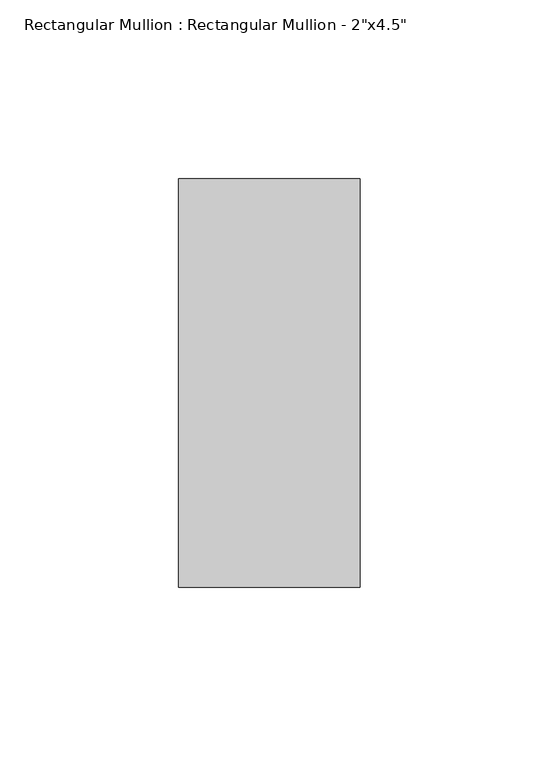
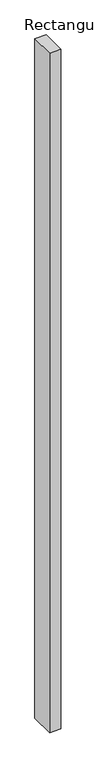
"""IFC4 building model written with IfcOpenShell, lengths in millimetres: member geometry."""

from ifc_helpers import new_model, si_unit, frame, origin, place, context, project, spatial, polyline, outline, extrude, source, transform, mapped, element, save


def member_bb33b182(model_context):
    return source(origin(), model_context, "Body", "SweptSolid", [
        extrude(outline(polyline([(25.4, 57.15), (25.4, -57.15), (-25.4, -57.15), (-25.4, 57.15), (25.4, 57.15)])), frame((0.0, 0.0, -3251.2), z_axis=(0.0, 0.0, 1.0), x_axis=(1.0, 0.0, 0.0)), (0.0, 0.0, 1.0), 3251.2),
    ])


if __name__ == "__main__":
    model = new_model("IFC4")
    model_context = context("Model", 3, world=origin())
    ifc_project = project(units=[si_unit("LENGTHUNIT", "METRE", prefix="MILLI")], contexts=[model_context])
    site = spatial("IfcSite", under=ifc_project)
    building = spatial("IfcBuilding", under=site)
    placement = place(None, origin())
    member_shape = member_bb33b182(model_context)
    element("IfcMember", 1, ObjectType="Rectangular Mullion : Rectangular Mullion - 2\"x4.5\"", at=placement, inside=building, context=model_context, shape_type="MappedRepresentation", body=[
        mapped(member_shape, transform((0.0, 0.0, 0.0), x_axis=(1.0, 0.0, 0.0), y_axis=(0.0, 1.0, 0.0), z_axis=(0.0, 0.0, 1.0))),
    ])
    save(model, "model.ifc")
